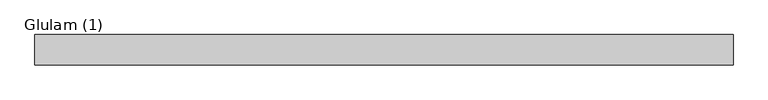
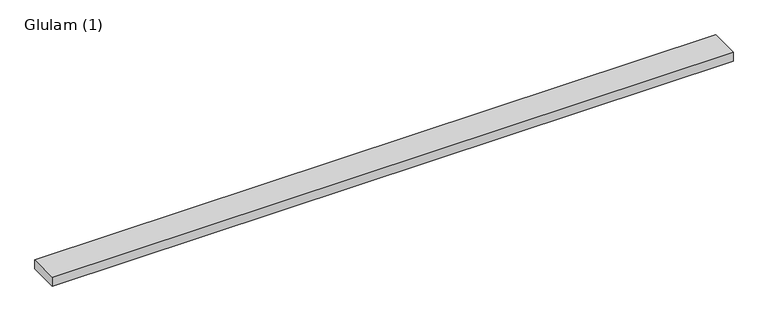
"""IFC4 building model written with IfcOpenShell, lengths in millimetres: beam geometry, Glulam (1)."""

import ifcopenshell
import ifcopenshell.guid

model = None  # the IFC model being written
_history = None  # IfcOwnerHistory: only IFC2X3 demands one
_inside = {}  # id of a spatial element -> (the spatial element, [elements in it])
_under = {}  # id of a project, library or spatial element -> (it, [spatial elements below it])
_declared = {}  # id of a project -> (the project, [libraries it declares])
_typed = {}  # id of a type object -> (the type object, [elements of that type])
_made_of = {}  # id of a material, layer set ... -> (it, [elements and type objects made of it])


def new_model(schema):
    """Start an empty IFC model of exactly this schema.

    Asked for "IFC4X3", IfcOpenShell would pick the latest addendum, in which some entities
    have other attributes; the version numbers below select the first issue.
    IFC2X3 requires an IfcOwnerHistory on every rooted entity: one is made here for all.
    """
    global model, _history
    if schema == "IFC4X3":
        model = ifcopenshell.file(schema_version=(4, 3, 0, 0))
    else:
        model = ifcopenshell.file(schema=schema)
    _inside.clear()
    _under.clear()
    _declared.clear()
    _typed.clear()
    _made_of.clear()
    _history = None
    if model.schema == "IFC2X3":
        org = make("IfcOrganization", Name="unknown")
        user = make(
            "IfcPersonAndOrganization",
            ThePerson=make("IfcPerson", FamilyName="unknown"),
            TheOrganization=org,
        )
        app = make(
            "IfcApplication",
            ApplicationDeveloper=org,
            Version="unknown",
            ApplicationFullName="unknown",
            ApplicationIdentifier="unknown",
        )
        _history = make(
            "IfcOwnerHistory",
            OwningUser=user,
            OwningApplication=app,
            ChangeAction="ADDED",
            CreationDate=0,
        )
    return model


def make(cls, **values):
    """One entity of the class cls with the attributes given. An attribute that is None is left unset."""
    return model.create_entity(
        cls, **{name: value for name, value in values.items() if value is not None}
    )


def rooted(cls, **values):
    """An entity with a GlobalId (a new one), such as an element, a storey or a relation."""
    return make(cls, GlobalId=ifcopenshell.guid.new(), OwnerHistory=_history, **values)


def si_unit(unit_type, name, prefix=None):
    """IfcSIUnit, for example si_unit("LENGTHUNIT", "METRE", prefix="MILLI")."""
    return make("IfcSIUnit", UnitType=unit_type, Prefix=prefix, Name=name)


def assignment(units):
    """IfcUnitAssignment: the units of a project."""
    return None if units is None else make("IfcUnitAssignment", Units=units)


def point(xyz):
    """IfcCartesianPoint."""
    return None if xyz is None else make("IfcCartesianPoint", Coordinates=xyz)


def direction(xyz):
    """IfcDirection."""
    return None if xyz is None else make("IfcDirection", DirectionRatios=xyz)


def frame(location, z_axis=None, x_axis=None):
    """IfcAxis2Placement3D, a coordinate frame: its origin and axes. An axis left out is left unset."""
    return make(
        "IfcAxis2Placement3D",
        Location=point(location),
        Axis=direction(z_axis),
        RefDirection=direction(x_axis),
    )


def origin():
    """The frame at (0, 0, 0) with its axes left unset."""
    return frame((0.0, 0.0, 0.0))


def place(relative_to, where):
    """IfcLocalPlacement: puts the frame where relative to a parent placement (None: the world)."""
    return make(
        "IfcLocalPlacement", PlacementRelTo=relative_to, RelativePlacement=where
    )


def context(
    kind, dimensions, precision=None, world=None, true_north=None, identifier=None
):
    """IfcGeometricRepresentationContext, for example the 3D "Model" context."""
    return make(
        "IfcGeometricRepresentationContext",
        ContextIdentifier=identifier,
        ContextType=kind,
        CoordinateSpaceDimension=dimensions,
        Precision=precision,
        WorldCoordinateSystem=world,
        TrueNorth=true_north,
    )


def project(units=None, contexts=None):
    """IfcProject with its units and contexts."""
    return rooted(
        "IfcProject",
        Name="project",
        RepresentationContexts=contexts,
        UnitsInContext=assignment(units),
    )


def spatial(cls, under=None, at=None, **own):
    """A site, building, storey or space (cls), placed at a placement, below another one or the project."""
    s = rooted(cls, ObjectPlacement=at, **own)
    if under is not None:
        _under.setdefault(under.id(), (under, []))[1].append(s)
    return s


def polyline(points):
    """IfcPolyline through the points."""
    return make("IfcPolyline", Points=[point(p) for p in points])


def outline(outer, holes=None, kind="AREA"):
    """IfcArbitraryClosedProfileDef: a profile drawn as a closed curve; with holes, ...WithVoids."""
    if holes is None:
        return make("IfcArbitraryClosedProfileDef", ProfileType=kind, OuterCurve=outer)
    return make(
        "IfcArbitraryProfileDefWithVoids",
        ProfileType=kind,
        OuterCurve=outer,
        InnerCurves=holes,
    )


def extrude(swept, where, along, depth):
    """IfcExtrudedAreaSolid: the profile swept, set in the frame where, extruded along a direction by depth."""
    return make(
        "IfcExtrudedAreaSolid",
        SweptArea=swept,
        Position=where,
        ExtrudedDirection=direction(along),
        Depth=depth,
    )


def shape(context_of_items, identifier, shape_type, items):
    """IfcShapeRepresentation: the items that make up one representation, for example the "Body"."""
    return make(
        "IfcShapeRepresentation",
        ContextOfItems=context_of_items,
        RepresentationIdentifier=identifier,
        RepresentationType=shape_type,
        Items=items,
    )


def source(mapping_origin, context_of_items, identifier, shape_type, items):
    """IfcRepresentationMap: a shape defined once, which mapped items show again and again."""
    return make(
        "IfcRepresentationMap",
        MappingOrigin=mapping_origin,
        MappedRepresentation=shape(context_of_items, identifier, shape_type, items),
    )


def transform(
    local_origin,
    x_axis=None,
    y_axis=None,
    z_axis=None,
    scale=None,
    scale2=None,
    scale3=None,
    uniform=True,
):
    """IfcCartesianTransformationOperator3D, or its non-uniform kind. x_axis, y_axis, z_axis: its Axis1, 2, 3."""
    if uniform:
        return make(
            "IfcCartesianTransformationOperator3D",
            Axis1=direction(x_axis),
            Axis2=direction(y_axis),
            LocalOrigin=point(local_origin),
            Scale=scale,
            Axis3=direction(z_axis),
        )
    return make(
        "IfcCartesianTransformationOperator3DnonUniform",
        Axis1=direction(x_axis),
        Axis2=direction(y_axis),
        LocalOrigin=point(local_origin),
        Scale=scale,
        Axis3=direction(z_axis),
        Scale2=scale2,
        Scale3=scale3,
    )


def mapped(mapping_source, mapping_target):
    """IfcMappedItem: shows the shape of a source again, moved by a transform."""
    return make(
        "IfcMappedItem", MappingSource=mapping_source, MappingTarget=mapping_target
    )


def made_of(thing, what):
    """Note that an element or type object is made of a material, layer set ...; save() writes the relation."""
    if what is not None:
        _made_of.setdefault(what.id(), (what, []))[1].append(thing)
    return thing


def element(
    cls,
    number,
    at=None,
    inside=None,
    cuts=None,
    type_object=None,
    material=None,
    context=None,
    identifier="Body",
    shape_type=None,
    held_by="IfcProductDefinitionShape",
    body=None,
    shapes=None,
    **own,
):
    """One element of the class cls, such as IfcWall. Its Tag is "e" and its number.

    at: its placement. inside: the storey or other place that contains it. cuts: it is an
    opening in that element (IfcRelVoidsElement). A single representation is given by context,
    identifier, shape_type and body (its items); several are given by shapes. held_by: the class
    of the entity that holds the representations. save() writes the other relations.
    """
    e = rooted(cls, Tag="e%d" % number, ObjectPlacement=at, **own)
    if body is not None:
        shapes = [shape(context, identifier, shape_type, body)]
    if shapes is not None:
        e.Representation = make(held_by, Representations=shapes)
    if inside is not None:
        _inside.setdefault(inside.id(), (inside, []))[1].append(e)
    if cuts is not None:
        rooted(
            "IfcRelVoidsElement", RelatingBuildingElement=cuts, RelatedOpeningElement=e
        )
    if type_object is not None:
        _typed.setdefault(type_object.id(), (type_object, []))[1].append(e)
    return made_of(e, material)


def aggregate(whole, parts):
    """IfcRelAggregates: a whole, such as a stair, and the parts it consists of."""
    return rooted("IfcRelAggregates", RelatingObject=whole, RelatedObjects=parts)


def save(model, path):
    """Write the relations noted so far, then the file.

    IfcRelAggregates (storeys below a building ...), IfcRelContainedInSpatialStructure (elements
    in a storey), IfcRelDefinesByType, IfcRelAssociatesMaterial and IfcRelDeclares: one each for
    every whole, place, type object, material and project.
    """
    for whole, parts in _under.values():
        aggregate(whole, parts)
    for where, things in _inside.values():
        rooted(
            "IfcRelContainedInSpatialStructure",
            RelatedElements=things,
            RelatingStructure=where,
        )
    for kind, things in _typed.values():
        rooted("IfcRelDefinesByType", RelatedObjects=things, RelatingType=kind)
    for what, things in _made_of.values():
        rooted("IfcRelAssociatesMaterial", RelatedObjects=things, RelatingMaterial=what)
    for by, libraries in _declared.values():
        rooted("IfcRelDeclares", RelatingContext=by, RelatedDefinitions=libraries)
    model.write(path)


def glulam_1_6c336169(model_context):
    return source(origin(), model_context, "Body", "SweptSolid", [
        extrude(outline(polyline([(1598.0, 70.0), (1598.0, -70.0), (-1598.0, -70.0), (-1598.0, 70.0), (1598.0, 70.0)])), frame((0.0, 0.0, -22.5), z_axis=(0.0, 0.0, 1.0), x_axis=(1.0, 0.0, 0.0)), (0.0, 0.0, 1.0), 45.0),
    ])


if __name__ == "__main__":
    model = new_model("IFC4")
    model_context = context("Model", 3, world=origin())
    ifc_project = project(units=[si_unit("LENGTHUNIT", "METRE", prefix="MILLI")], contexts=[model_context])
    site = spatial("IfcSite", under=ifc_project)
    building = spatial("IfcBuilding", under=site)
    placement = place(None, origin())
    glulam_1_shape = glulam_1_6c336169(model_context)
    element("IfcBeam", 1, ObjectType="Glulam (1)", at=placement, inside=building, context=model_context, shape_type="MappedRepresentation", body=[
        mapped(glulam_1_shape, transform((0.0, 0.0, 0.0), x_axis=(1.0, 0.0, 0.0), y_axis=(0.0, 1.0, 0.0), z_axis=(0.0, 0.0, 1.0))),
    ])
    save(model, "model.ifc")
